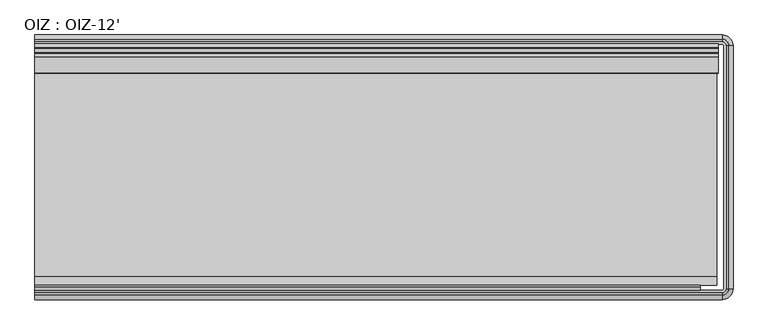
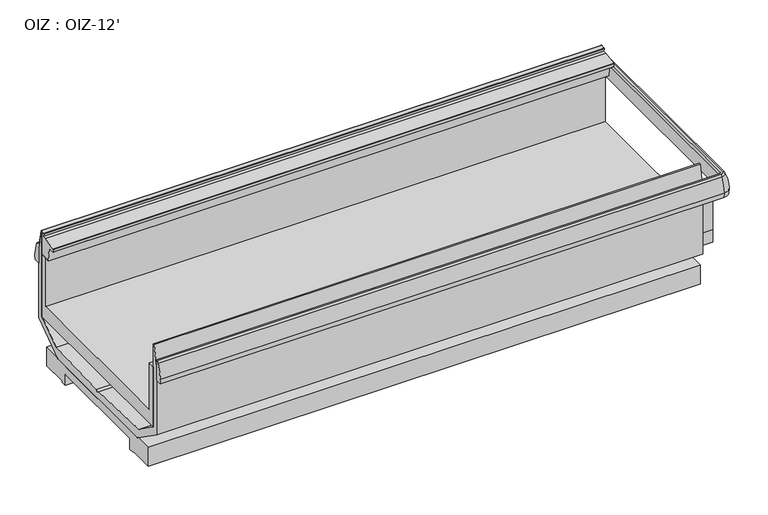
"""IFC4 building model written with IfcOpenShell, lengths in millimetres: proxy geometry, OIZ : OIZ-12'."""

from ifc_helpers import new_model, si_unit, point, frame, frame_2d, origin, place, context, project, spatial, polyline, circle_curve, ellipse_curve, trimmed, segment, composite_curve, outline, extrude, faceted_brep, source, transform, mapped, element, save
from ifc_brep_helpers import plane_surface, cylinder_surface, revolved_surface, advanced_brep


def oiz_oiz_12_89f80556(model_context):
    return source(origin(), model_context, "Body", "SolidModel", [
        advanced_brep(
        [(0.0, -1779.9487888, 742.5260526), (0.0, -1756.7718705, 837.8904027), (0.0, -1742.3604846, 847.1075065), (0.0, -1730.6231369, 847.1075065), (0.0, -1738.8699813, 808.3091539), (0.0, -1738.8699813, 710.8577229), (0.0, -1778.626851, 710.8577229), (3678.2702702, -1779.9487888, 742.5260526), (3678.2702702, -1756.7718705, 837.8904027), (3678.2702702, -1742.3604846, 847.1075065), (3699.9908573, -1720.6398975, 847.1075065), (3699.9908573, -421.9302891, 847.1075065), (3678.3393382, -400.27877, 847.1075065), (0.0, -400.27877, 847.1075065), (0.0, -412.0161177, 847.1075065), (3678.3393382, -412.0161177, 847.1075065), (3688.2535096, -421.9302891, 847.1075065), (3688.2535096, -1720.6398975, 847.1075065), (3678.2702702, -1730.6231369, 847.1075065), (3678.2702702, -1738.8699813, 808.3091539), (3678.2702702, -1738.8699813, 710.8577229), (3696.500354, -1720.6398975, 710.8577229), (3696.500354, -421.9302891, 710.8577229), (3678.3393382, -403.7692733, 710.8577229), (0.0, -403.7692733, 710.8577229), (0.0, -364.0124036, 710.8577229), (3678.3393382, -364.0124036, 710.8577229), (3736.2572237, -421.9302891, 710.8577229), (3736.2572237, -1720.6398975, 710.8577229), (3678.2702702, -1778.626851, 710.8577229), (3714.4022432, -1720.6398975, 837.8904027), (3737.5791615, -1720.6398975, 742.5260526), (3737.5791615, -421.9302891, 742.5260526), (3714.4022432, -421.9302891, 837.8904027), (3696.500354, -1720.6398975, 808.3091539), (3696.500354, -421.9302891, 808.3091539), (0.0, -362.6904658, 742.5260526), (0.0, -403.7692733, 808.3091539), (0.0, -385.8673841, 837.8904027), (3678.3393382, -385.8673841, 837.8904027), (3678.3393382, -362.6904658, 742.5260526), (3678.3393382, -403.7692733, 808.3091539)],
        [
            (0, 1, circle_curve(frame((0.0, -1526.1354111, 731.338984), z_axis=(-1.0, 0.0, 0.0), x_axis=(0.0, 1.0, 0.0)), 254.0597985)),
            (1, 2, circle_curve(frame((0.0, -1742.3604846, 831.2325065), z_axis=(-1.0, 0.0, 0.0), x_axis=(0.0, 1.0, 0.0)), 15.875)),
            (2, 3),
            (3, 4),
            (4, 5),
            (5, 6),
            (6, 0),
            (0, 7),
            (7, 8, circle_curve(frame((3678.2702702, -1526.1354111, 731.338984), z_axis=(-1.0, 0.0, 0.0), x_axis=(0.0, 1.0, 0.0)), 254.0597985)),
            (8, 1),
            (8, 9, circle_curve(frame((3678.2702702, -1742.3604846, 831.2325065), z_axis=(-1.0, 0.0, 0.0), x_axis=(0.0, 1.0, 0.0)), 15.875)),
            (9, 2),
            (9, 10, circle_curve(frame((3678.2702702, -1720.6398975, 847.1075065), z_axis=(0.0, 0.0, 1.0), x_axis=(0.0, -1.0, 0.0)), 21.7205871)),
            (10, 11),
            (11, 12, circle_curve(frame((3678.3393382, -421.9302891, 847.1075065), z_axis=(0.0, 0.0, 1.0), x_axis=(1.0, 0.0, 0.0)), 21.6515191)),
            (12, 13),
            (13, 14),
            (14, 15),
            (15, 16, circle_curve(frame((3678.3393382, -421.9302891, 847.1075065), z_axis=(0.0, 0.0, -1.0), x_axis=(1.0, 0.0, 0.0)), 9.9141714)),
            (16, 17),
            (17, 18, circle_curve(frame((3678.2702702, -1720.6398975, 847.1075065), z_axis=(0.0, 0.0, -1.0), x_axis=(0.0, -1.0, 0.0)), 9.9832394)),
            (18, 3),
            (18, 19),
            (19, 4),
            (19, 20),
            (20, 5),
            (20, 21, circle_curve(frame((3678.2702702, -1720.6398975, 710.8577229), z_axis=(0.0, 0.0, 1.0), x_axis=(0.0, -1.0, 0.0)), 18.2300838)),
            (21, 22),
            (22, 23, circle_curve(frame((3678.3393382, -421.9302891, 710.8577229), z_axis=(0.0, 0.0, 1.0), x_axis=(1.0, 0.0, 0.0)), 18.1610158)),
            (23, 24),
            (24, 25),
            (25, 26),
            (26, 27, circle_curve(frame((3678.3393382, -421.9302891, 710.8577229), z_axis=(0.0, 0.0, -1.0), x_axis=(1.0, 0.0, 0.0)), 57.9178855)),
            (27, 28),
            (28, 29, circle_curve(frame((3678.2702702, -1720.6398975, 710.8577229), z_axis=(0.0, 0.0, -1.0), x_axis=(0.0, -1.0, 0.0)), 57.9869535)),
            (29, 6),
            (29, 7),
            (30, 31, circle_curve(frame((3483.7657838, -1720.6398975, 731.338984), z_axis=(0.0, 1.0, 0.0), x_axis=(-1.0, 0.0, 0.0)), 254.0597985)),
            (31, 32),
            (32, 33, circle_curve(frame((3483.7657838, -421.9302891, 731.338984), z_axis=(0.0, -1.0, 0.0), x_axis=(-1.0, 0.0, 0.0)), 254.0597985)),
            (33, 30),
            (10, 30, circle_curve(frame((3699.9908573, -1720.6398975, 831.2325065), z_axis=(0.0, 1.0, 0.0), x_axis=(-1.0, 0.0, 0.0)), 15.875)),
            (33, 11, circle_curve(frame((3699.9908573, -421.9302891, 831.2325065), z_axis=(0.0, -1.0, 0.0), x_axis=(-1.0, 0.0, 0.0)), 15.875)),
            (34, 17),
            (16, 35),
            (35, 34),
            (21, 34),
            (35, 22),
            (31, 28),
            (27, 32),
            (36, 25),
            (24, 37),
            (37, 14),
            (13, 38, circle_curve(frame((0.0, -400.27877, 831.2325065), z_axis=(-1.0, 0.0, 0.0), x_axis=(0.0, -1.0, 0.0)), 15.875)),
            (38, 36, circle_curve(frame((0.0, -616.5038435, 731.338984), z_axis=(-1.0, 0.0, 0.0), x_axis=(0.0, -1.0, 0.0)), 254.0597985)),
            (39, 40, circle_curve(frame((3678.3393382, -616.5038435, 731.338984), z_axis=(-1.0, 0.0, 0.0), x_axis=(0.0, -1.0, 0.0)), 254.0597985)),
            (40, 36),
            (38, 39),
            (12, 39, circle_curve(frame((3678.3393382, -400.27877, 831.2325065), z_axis=(-1.0, 0.0, 0.0), x_axis=(0.0, -1.0, 0.0)), 15.875)),
            (41, 15),
            (37, 41),
            (23, 41),
            (40, 26),
            (30, 8, circle_curve(frame((3678.2702702, -1720.6398975, 837.8904027), z_axis=(0.0, 0.0, -1.0), x_axis=(0.0, -1.0, 0.0)), 36.131973)),
            (7, 31, circle_curve(frame((3678.2702702, -1720.6398975, 742.5260526), z_axis=(0.0, 0.0, 1.0), x_axis=(0.0, -1.0, 0.0)), 59.3088914)),
            (34, 19, circle_curve(frame((3678.2702702, -1720.6398975, 808.3091539), z_axis=(0.0, 0.0, -1.0), x_axis=(0.0, -1.0, 0.0)), 18.2300838)),
            (39, 33, circle_curve(frame((3678.3393382, -421.9302891, 837.8904027), z_axis=(0.0, 0.0, -1.0), x_axis=(1.0, 0.0, 0.0)), 36.0629049)),
            (32, 40, circle_curve(frame((3678.3393382, -421.9302891, 742.5260526), z_axis=(0.0, 0.0, 1.0), x_axis=(1.0, 0.0, 0.0)), 59.2398233)),
            (41, 35, circle_curve(frame((3678.3393382, -421.9302891, 808.3091539), z_axis=(0.0, 0.0, -1.0), x_axis=(1.0, 0.0, 0.0)), 18.1610158)),
        ],
        [
            plane_surface(frame((0.0, -1793.6321273, 50.2442522), z_axis=(-1.0, 0.0, 0.0), x_axis=(0.0, 0.0, 1.0))),
            cylinder_surface(frame((0.0, -1526.1354111, 731.338984), z_axis=(-1.0, 0.0, 0.0), x_axis=(0.0, 1.0, 0.0)), 254.0597985),
            cylinder_surface(frame((0.0, -1742.3604846, 831.2325065), z_axis=(-1.0, 0.0, 0.0), x_axis=(0.0, 1.0, 0.0)), 15.875),
            plane_surface(frame((0.0, -1742.3604846, 847.1075065), z_axis=(0.0, 0.0, 1.0), x_axis=(1.0, 0.0, 0.0))),
            plane_surface(frame((0.0, -1730.6231369, 847.1075065), z_axis=(0.0, 0.9781476007337238, -0.20791169081814453), x_axis=(1.0, 0.0, 0.0))),
            plane_surface(frame((0.0, -1738.8699813, 808.3091539), z_axis=(0.0, 1.0, 0.0), x_axis=(1.0, 0.0, 0.0))),
            plane_surface(frame((0.0, -1762.8031313, 710.8577229), z_axis=(0.0, 0.0, -1.0), x_axis=(1.0, 0.0, 0.0))),
            plane_surface(frame((0.0, -1778.626851, 710.8577229), z_axis=(0.0, -0.9991298890583391, -0.04170689140023684), x_axis=(1.0, 0.0, 0.0))),
            cylinder_surface(frame((3483.7657838, -1720.6398975, 731.338984), z_axis=(0.0, -1.0, 0.0), x_axis=(-1.0, 0.0, 0.0)), 254.0597985),
            cylinder_surface(frame((3699.9908573, -1720.6398975, 831.2325065), z_axis=(0.0, -1.0, 0.0), x_axis=(-1.0, 0.0, 0.0)), 15.875),
            plane_surface(frame((3688.2535096, -1720.6398975, 847.1075065), z_axis=(-0.9781476007337238, 0.0, -0.20791169081814453), x_axis=(0.0, 1.0, 0.0))),
            plane_surface(frame((3696.500354, -1720.6398975, 808.3091539), z_axis=(-1.0, 0.0, 0.0), x_axis=(0.0, 1.0, 0.0))),
            plane_surface(frame((3736.2572237, -1720.6398975, 710.8577229), z_axis=(0.9991298890583391, 0.0, -0.04170689140023684), x_axis=(0.0, 1.0, 0.0))),
            plane_surface(frame((0.0, -349.0071273, 50.2442522), z_axis=(-1.0, 0.0, 0.0), x_axis=(0.0, 0.0, 1.0))),
            cylinder_surface(frame((3678.3393382, -616.5038435, 731.338984), z_axis=(1.0, 0.0, 0.0), x_axis=(0.0, -1.0, 0.0)), 254.0597985),
            cylinder_surface(frame((3678.3393382, -400.27877, 831.2325065), z_axis=(1.0, 0.0, 0.0), x_axis=(0.0, -1.0, 0.0)), 15.875),
            plane_surface(frame((3678.3393382, -412.0161177, 847.1075065), z_axis=(0.0, -0.9781476007337238, -0.20791169081814453), x_axis=(-1.0, 0.0, 0.0))),
            plane_surface(frame((3678.3393382, -403.7692733, 808.3091539), z_axis=(0.0, -1.0, 0.0), x_axis=(-1.0, 0.0, 0.0))),
            plane_surface(frame((3678.3393382, -364.0124036, 710.8577229), z_axis=(0.0, 0.9991298890583391, -0.04170689140023684), x_axis=(-1.0, 0.0, 0.0))),
            revolved_surface(trimmed(ellipse_curve(frame((3678.2702702, -1526.1354111, 731.338984), z_axis=(-1.0, 0.0, 0.0), x_axis=(0.0, 1.0, 0.0)), 254.0597985, 254.0597985), [point((3678.2702702, -1779.9487888, 742.5260526))], [point((3678.2702702, -1756.7718705, 837.8904027))], True, "CARTESIAN"), (3678.2702702, -1720.6398975, 50.2442522), (0.0, 0.0, 1.0)),
            revolved_surface(trimmed(ellipse_curve(frame((3678.2702702, -1742.3604846, 831.2325065), z_axis=(-1.0, 0.0, 0.0), x_axis=(0.0, 1.0, 0.0)), 15.875, 15.875), [point((3678.2702702, -1756.7718705, 837.8904027))], [point((3678.2702702, -1742.3604846, 847.1075065))], True, "CARTESIAN"), (3678.2702702, -1720.6398975, 50.2442522), (0.0, 0.0, 1.0)),
            revolved_surface(polyline([(3678.2702702, -1730.6231369, 847.1075065), (3678.2702702, -1738.8699813, 808.3091539)]), (3678.2702702, -1720.6398975, 50.2442522), (0.0, 0.0, 1.0)),
            revolved_surface(polyline([(3678.2702702, -1738.8699813, 808.3091539), (3678.2702702, -1738.8699813, 710.8577229)]), (3678.2702702, -1720.6398975, 50.2442522), (0.0, 0.0, 1.0)),
            revolved_surface(polyline([(3678.2702702, -1778.626851, 710.8577229), (3678.2702702, -1779.9487888, 742.5260526)]), (3678.2702702, -1720.6398975, 50.2442522), (0.0, 0.0, 1.0)),
            revolved_surface(trimmed(ellipse_curve(frame((3483.7657838, -421.9302891, 731.338984), z_axis=(0.0, -1.0, 0.0), x_axis=(-1.0, 0.0, 0.0)), 254.0597985, 254.0597985), [point((3737.5791615, -421.9302891, 742.5260526))], [point((3714.4022432, -421.9302891, 837.8904027))], True, "CARTESIAN"), (3678.3393382, -421.9302891, 50.2442522), (0.0, 0.0, 1.0)),
            revolved_surface(trimmed(ellipse_curve(frame((3699.9908573, -421.9302891, 831.2325065), z_axis=(0.0, -1.0, 0.0), x_axis=(-1.0, 0.0, 0.0)), 15.875, 15.875), [point((3714.4022432, -421.9302891, 837.8904027))], [point((3699.9908573, -421.9302891, 847.1075065))], True, "CARTESIAN"), (3678.3393382, -421.9302891, 50.2442522), (0.0, 0.0, 1.0)),
            revolved_surface(polyline([(3688.2535096, -421.9302891, 847.1075065), (3696.500354, -421.9302891, 808.3091539)]), (3678.3393382, -421.9302891, 50.2442522), (0.0, 0.0, 1.0)),
            revolved_surface(polyline([(3696.500354, -421.9302891, 808.3091539), (3696.500354, -421.9302891, 710.8577229)]), (3678.3393382, -421.9302891, 50.2442522), (0.0, 0.0, 1.0)),
            revolved_surface(polyline([(3736.2572237, -421.9302891, 710.8577229), (3737.5791615, -421.9302891, 742.5260526)]), (3678.3393382, -421.9302891, 50.2442522), (0.0, 0.0, 1.0)),
        ],
        [
            (0, [[1, 2, 3, 4, 5, 6, 7]]),
            (1, [[-1, 8, 9, 10]]),
            (2, [[-2, -10, 11, 12]]),
            (3, [[-3, -12, 13, 14, 15, 16, 17, 18, 19, 20, 21, 22]]),
            (4, [[-4, -22, 23, 24]]),
            (5, [[-5, -24, 25, 26]]),
            (6, [[-26, 27, 28, 29, 30, 31, 32, 33, 34, 35, 36, -6]]),
            (7, [[-7, -36, 37, -8]]),
            (8, [[38, 39, 40, 41]]),
            (9, [[42, -41, 43, -14]]),
            (10, [[44, -20, 45, 46]]),
            (11, [[47, -46, 48, -28]]),
            (12, [[49, -34, 50, -39]]),
            (13, [[51, -31, 52, 53, -17, 54, 55]]),
            (14, [[56, 57, -55, 58]]),
            (15, [[59, -58, -54, -16]]),
            (16, [[60, -18, -53, 61]]),
            (17, [[62, -61, -52, -30]]),
            (18, [[63, -32, -51, -57]]),
            (19, [[64, -9, 65, -38]]),
            (20, [[-13, -11, -64, -42]]),
            (21, [[66, -23, -21, -44]]),
            (22, [[-27, -25, -66, -47]]),
            (23, [[-65, -37, -35, -49]]),
            (24, [[67, -40, 68, -56]]),
            (25, [[-15, -43, -67, -59]]),
            (26, [[69, -45, -19, -60]]),
            (27, [[-29, -48, -69, -62]]),
            (28, [[-68, -50, -33, -63]]),
        ],
    ),
        extrude(outline(composite_curve([segment(trimmed(circle_curve(frame_2d((152.4, -1552.3321273)), 9.525), [point((142.875, -1552.3321273))], [point((161.925, -1552.3321273))], False, "CARTESIAN"), True, "CONTINUOUS"), segment(trimmed(circle_curve(frame_2d((152.4, -1552.3321273)), 9.525), [point((161.925, -1552.3321273))], [point((142.875, -1552.3321273))], False, "CARTESIAN"), True, "CONTINUOUS")], self_intersect=False)), frame((0.0, 0.0, 59.3851334), z_axis=(0.0, 0.0, 1.0), x_axis=(1.0, 0.0, 0.0)), (0.0, 0.0, 1.0), 6.35),
        extrude(outline(composite_curve([segment(trimmed(circle_curve(frame_2d((228.6, -1552.3321273)), 9.525), [point((219.075, -1552.3321273))], [point((238.125, -1552.3321273))], False, "CARTESIAN"), True, "CONTINUOUS"), segment(trimmed(circle_curve(frame_2d((228.6, -1552.3321273)), 9.525), [point((238.125, -1552.3321273))], [point((219.075, -1552.3321273))], False, "CARTESIAN"), True, "CONTINUOUS")], self_intersect=False)), frame((0.0, 0.0, 59.3851334), z_axis=(0.0, 0.0, 1.0), x_axis=(1.0, 0.0, 0.0)), (0.0, 0.0, 1.0), 6.35),
        extrude(outline(composite_curve([segment(trimmed(circle_curve(frame_2d((1828.8, -1552.7093173)), 38.1), [point((1790.7, -1552.7093173))], [point((1866.9, -1552.7093173))], False, "CARTESIAN"), True, "CONTINUOUS"), segment(trimmed(circle_curve(frame_2d((1828.8, -1552.7093173)), 38.1), [point((1866.9, -1552.7093173))], [point((1790.7, -1552.7093173))], False, "CARTESIAN"), True, "CONTINUOUS")], self_intersect=False)), frame((0.0, 0.0, 59.3851334), z_axis=(0.0, 0.0, 1.0), x_axis=(1.0, 0.0, 0.0)), (0.0, 0.0, 1.0), 117.8591189),
        extrude(outline(composite_curve([segment(trimmed(circle_curve(frame_2d((3393.28125, -1399.9321273)), 11.1125), [point((3382.16875, -1399.9321273))], [point((3404.39375, -1399.9321273))], False, "CARTESIAN"), True, "CONTINUOUS"), segment(trimmed(circle_curve(frame_2d((3393.28125, -1399.9321273)), 11.1125), [point((3404.39375, -1399.9321273))], [point((3382.16875, -1399.9321273))], False, "CARTESIAN"), True, "CONTINUOUS")], self_intersect=False)), frame((0.0, 0.0, 125.8872904), z_axis=(0.0, 0.0, 1.0), x_axis=(1.0, 0.0, 0.0)), (0.0, 0.0, 1.0), 51.3569618),
        extrude(outline(composite_curve([segment(trimmed(circle_curve(frame_2d((3352.00625, -1399.9321273)), 9.525), [point((3342.48125, -1399.9321273))], [point((3361.53125, -1399.9321273))], False, "CARTESIAN"), True, "CONTINUOUS"), segment(trimmed(circle_curve(frame_2d((3352.00625, -1399.9321273)), 9.525), [point((3361.53125, -1399.9321273))], [point((3342.48125, -1399.9321273))], False, "CARTESIAN"), True, "CONTINUOUS")], self_intersect=False)), frame((0.0, 0.0, 125.8872904), z_axis=(0.0, 0.0, 1.0), x_axis=(1.0, 0.0, 0.0)), (0.0, 0.0, 1.0), 51.3569618),
        advanced_brep(
        [(3602.4785775, -497.7910498, 59.3851334), (3602.4785775, -497.7910498, 190.7162695), (3602.4785775, -611.2237672, 190.7162695), (3602.4785775, -624.9324146, 181.1173712), (3602.4785775, -1517.6104004, 181.1173712), (3602.4785775, -1531.4154874, 190.7162695), (3602.4785775, -1644.8482048, 190.7162695), (3602.4785775, -1644.8482048, 59.3851334), (3602.4785775, -1471.3693098, 59.3851334), (3602.4785775, -1471.3693098, 50.2442522), (3602.4785775, -1436.4443098, 50.2442522), (3602.4785775, -1436.4443098, 125.8872904), (3602.4785775, -706.1949448, 125.8872904), (3602.4785775, -706.1949448, 50.2442522), (3602.4785775, -671.2699448, 50.2442522), (3602.4785775, -671.2699448, 59.3851334), (0.0, -497.7910498, 59.3851334), (0.0, -671.2699448, 59.3851334), (0.0, -671.2699448, 50.2442522), (0.0, -706.1949448, 50.2442522), (0.0, -706.1949448, 125.8872904), (0.0, -1436.4443098, 125.8872904), (0.0, -1436.4443098, 50.2442522), (0.0, -1471.3693098, 50.2442522), (0.0, -1471.3693098, 59.3851334), (0.0, -1644.8482048, 59.3851334), (0.0, -1644.8482048, 190.7162695), (0.0, -1531.4154874, 190.7162695), (0.0, -1517.6104004, 181.1173712), (0.0, -624.9324146, 181.1173712), (0.0, -611.2237672, 190.7162695), (0.0, -497.7910498, 190.7162695), (1778.0, -1552.7093173, 59.3851334), (1879.6, -1552.7093173, 59.3851334), (287.3791612, -1530.5482048, 59.3851334), (105.2648592, -1530.5482048, 59.3851334), (105.2648592, -1574.5393697, 59.3851334), (287.3791612, -1574.5393697, 59.3851334), (3337.3237765, -1436.4443098, 50.2442522), (3407.9637235, -1436.4443098, 50.2442522), (3407.9637235, -1436.4443098, 125.8872904), (3337.3237765, -1436.4443098, 125.8872904), (3423.44375, -1399.9321273, 125.8872904), (3321.84375, -1399.9321273, 125.8872904), (3321.84375, -1399.9321273, 177.2442522), (3423.44375, -1399.9321273, 177.2442522), (1778.0, -1552.7093173, 177.2442522), (1879.6, -1552.7093173, 177.2442522), (287.3791612, -1530.5482048, 65.7351334), (287.3791612, -1574.5393697, 65.7351334), (105.2648592, -1574.5393697, 65.7351334), (105.2648592, -1530.5482048, 65.7351334)],
        [
            (0, 1),
            (1, 2),
            (2, 3),
            (3, 4),
            (4, 5),
            (5, 6),
            (6, 7),
            (7, 8),
            (8, 9),
            (9, 10),
            (10, 11),
            (11, 12),
            (12, 13),
            (13, 14),
            (14, 15),
            (15, 0),
            (16, 17),
            (17, 18),
            (18, 19),
            (19, 20),
            (20, 21),
            (21, 22),
            (22, 23),
            (23, 24),
            (24, 25),
            (25, 26),
            (26, 27),
            (27, 28),
            (28, 29),
            (29, 30),
            (30, 31),
            (31, 16),
            (0, 16),
            (31, 1),
            (3, 29),
            (28, 4),
            (6, 26),
            (25, 7),
            (24, 8),
            (32, 33, circle_curve(frame((1828.8, -1552.7093173, 59.3851334), z_axis=(0.0, 0.0, 1.0), x_axis=(1.0, 0.0, 0.0)), 50.8)),
            (33, 32, circle_curve(frame((1828.8, -1552.7093173, 59.3851334), z_axis=(0.0, 0.0, 1.0), x_axis=(1.0, 0.0, 0.0)), 50.8)),
            (34, 35),
            (35, 36),
            (36, 37),
            (37, 34),
            (23, 9),
            (22, 38),
            (38, 39, circle_curve(frame((3372.64375, -1399.9321273, 50.2442522), z_axis=(0.0, 0.0, 1.0), x_axis=(1.0, 0.0, 0.0)), 50.8)),
            (39, 10),
            (39, 40),
            (40, 11),
            (21, 41),
            (41, 38),
            (40, 42, circle_curve(frame((3372.64375, -1399.9321273, 125.8872904), z_axis=(0.0, 0.0, 1.0), x_axis=(1.0, 0.0, 0.0)), 50.8)),
            (42, 43, circle_curve(frame((3372.64375, -1399.9321273, 125.8872904), z_axis=(0.0, 0.0, 1.0), x_axis=(1.0, 0.0, 0.0)), 50.8)),
            (43, 41, circle_curve(frame((3372.64375, -1399.9321273, 125.8872904), z_axis=(0.0, 0.0, 1.0), x_axis=(1.0, 0.0, 0.0)), 50.8)),
            (20, 12),
            (19, 13),
            (18, 14),
            (17, 15),
            (44, 45, circle_curve(frame((3372.64375, -1399.9321273, 177.2442522), z_axis=(0.0, 0.0, -1.0), x_axis=(1.0, 0.0, 0.0)), 50.8)),
            (45, 44, circle_curve(frame((3372.64375, -1399.9321273, 177.2442522), z_axis=(0.0, 0.0, -1.0), x_axis=(1.0, 0.0, 0.0)), 50.8)),
            (45, 42),
            (43, 44),
            (46, 47, circle_curve(frame((1828.8, -1552.7093173, 177.2442522), z_axis=(0.0, 0.0, -1.0), x_axis=(1.0, 0.0, 0.0)), 50.8)),
            (47, 46, circle_curve(frame((1828.8, -1552.7093173, 177.2442522), z_axis=(0.0, 0.0, -1.0), x_axis=(1.0, 0.0, 0.0)), 50.8)),
            (47, 33),
            (32, 46),
            (48, 49),
            (49, 50),
            (50, 51),
            (51, 48),
            (51, 35),
            (34, 48),
            (50, 36),
            (49, 37),
            (30, 2),
            (27, 5),
        ],
        [
            plane_surface(frame((3602.4785775, -497.7910498, 66.5320031), z_axis=(1.0, 0.0, 0.0), x_axis=(0.0, 0.0, 1.0))),
            plane_surface(frame((0.0, -497.7910498, 66.5320031), z_axis=(-1.0, 0.0, 0.0), x_axis=(0.0, 0.0, -1.0))),
            plane_surface(frame((3602.4785775, -497.7910498, 59.3851334), z_axis=(0.0, 1.0, 0.0), x_axis=(-1.0, 0.0, 0.0))),
            plane_surface(frame((3602.4785775, -624.9324146, 181.1173712), z_axis=(0.0, 0.0, 1.0), x_axis=(-1.0, 0.0, 0.0))),
            plane_surface(frame((3602.4785775, -1644.8482048, 190.7162695), z_axis=(0.0, -1.0, 0.0), x_axis=(-1.0, 0.0, 0.0))),
            plane_surface(frame((3602.4785775, -1644.8482048, 59.3851334), z_axis=(0.0, 0.0, -1.0), x_axis=(-1.0, 0.0, 0.0))),
            plane_surface(frame((3602.4785775, -1471.3693098, 59.3851334), z_axis=(0.0, -1.0, 0.0), x_axis=(-1.0, 0.0, 0.0))),
            plane_surface(frame((3602.4785775, -1471.3693098, 50.2442522), z_axis=(0.0, 0.0, -1.0), x_axis=(-1.0, 0.0, 0.0))),
            plane_surface(frame((3602.4785775, -1436.4443098, 50.2442522), z_axis=(0.0, 1.0, 0.0), x_axis=(-1.0, 0.0, 0.0))),
            plane_surface(frame((3602.4785775, -1436.4443098, 125.8872904), z_axis=(0.0, 0.0, -1.0), x_axis=(-1.0, 0.0, 0.0))),
            plane_surface(frame((3602.4785775, -706.1949448, 125.8872904), z_axis=(0.0, -1.0, 0.0), x_axis=(-1.0, 0.0, 0.0))),
            plane_surface(frame((3602.4785775, -706.1949448, 50.2442522), z_axis=(0.0, 0.0, -1.0), x_axis=(-1.0, 0.0, 0.0))),
            plane_surface(frame((3602.4785775, -671.2699448, 50.2442522), z_axis=(0.0, 1.0, 0.0), x_axis=(-1.0, 0.0, 0.0))),
            plane_surface(frame((3602.4785775, -671.2699448, 59.3851334), z_axis=(0.0, 0.0, -1.0), x_axis=(-1.0, 0.0, 0.0))),
            plane_surface(frame((3423.44375, -1399.9321273, 177.2442522), z_axis=(0.0, 0.0, -1.0), x_axis=(0.0, 1.0, 0.0))),
            revolved_surface(polyline([(3423.4437500000004, -1399.9321273, 177.2442522), (3423.4437500000004, -1399.9321273, 50.2442522)]), (3372.64375, -1399.9321273, 50.2442522), (0.0, 0.0, 1.0)),
            revolved_surface(polyline([(3423.4437500000004, -1399.9321273, 177.2442522), (3423.4437500000004, -1399.9321273, 125.88729040000001)]), (3372.64375, -1399.9321273, 50.2442522), (0.0, 0.0, 1.0)),
            plane_surface(frame((1879.6, -1552.7093173, 177.2442522), z_axis=(0.0, 0.0, -1.0), x_axis=(0.0, 1.0, 0.0))),
            revolved_surface(polyline([(1879.6, -1552.7093173, 177.2442522), (1879.6, -1552.7093173, 59.3851334)]), (1828.8, -1552.7093173, 50.2442522), (0.0, 0.0, 1.0)),
            plane_surface(frame((88.9, -1530.5482048, 65.7351334), z_axis=(0.0, 0.0, -1.0), x_axis=(-1.0, 0.0, 0.0))),
            plane_surface(frame((287.3791612, -1530.5482048, 65.7351334), z_axis=(0.0, -1.0, 0.0), x_axis=(0.0, 0.0, -1.0))),
            plane_surface(frame((105.2648592, -1530.5482048, 65.7351334), z_axis=(1.0, 0.0, 0.0), x_axis=(0.0, 0.0, -1.0))),
            plane_surface(frame((105.2648592, -1574.5393697, 65.7351334), z_axis=(0.0, 1.0, 0.0), x_axis=(0.0, 0.0, -1.0))),
            plane_surface(frame((287.3791612, -1574.5393697, 65.7351334), z_axis=(-1.0, 0.0, 0.0), x_axis=(0.0, 0.0, -1.0))),
            plane_surface(frame((3602.4785775, -497.7910498, 190.7162695), z_axis=(0.0, 0.0, 1.0), x_axis=(-1.0, 0.0, 0.0))),
            plane_surface(frame((3602.4785775, -611.2237672, 190.7162695), z_axis=(0.0, -0.5735764363510149, 0.8191520442890138), x_axis=(-1.0, 0.0, 0.0))),
            plane_surface(frame((3602.4785775, -1517.6104004, 181.1173712), z_axis=(0.0, 0.5708784896060859, 0.8210345608469075), x_axis=(-1.0, 0.0, 0.0))),
            plane_surface(frame((3602.4785775, -1531.4154874, 190.7162695), z_axis=(0.0, 0.0, 1.0), x_axis=(-1.0, 0.0, 0.0))),
        ],
        [
            (0, [[1, 2, 3, 4, 5, 6, 7, 8, 9, 10, 11, 12, 13, 14, 15, 16]]),
            (1, [[17, 18, 19, 20, 21, 22, 23, 24, 25, 26, 27, 28, 29, 30, 31, 32]]),
            (2, [[-1, 33, -32, 34]]),
            (3, [[-4, 35, -29, 36]]),
            (4, [[-7, 37, -26, 38]]),
            (5, [[-8, -38, -25, 39], [40, 41], [42, 43, 44, 45]]),
            (6, [[-9, -39, -24, 46]]),
            (7, [[-10, -46, -23, 47, 48, 49]]),
            (8, [[-11, -49, 50, 51]]),
            (8, [[-22, 52, 53, -47]]),
            (9, [[-12, -51, 54, 55, 56, -52, -21, 57]]),
            (10, [[-13, -57, -20, 58]]),
            (11, [[-14, -58, -19, 59]]),
            (12, [[-15, -59, -18, 60]]),
            (13, [[-16, -60, -17, -33]]),
            (14, [[61, 62]]),
            (15, [[-62, 63, -54, -50, -48, -53, -56, 64]]),
            (16, [[-61, -64, -55, -63]]),
            (17, [[65, 66]]),
            (18, [[-66, 67, -40, 68]]),
            (18, [[-65, -68, -41, -67]]),
            (19, [[69, 70, 71, 72]]),
            (20, [[-72, 73, -42, 74]]),
            (21, [[-71, 75, -43, -73]]),
            (22, [[-70, 76, -44, -75]]),
            (23, [[-69, -74, -45, -76]]),
            (24, [[-2, -34, -31, 77]]),
            (25, [[-3, -77, -30, -35]]),
            (26, [[-5, -36, -28, 78]]),
            (27, [[-6, -78, -27, -37]]),
        ],
    ),
        faceted_brep([(3561.9781435, -432.1205344, 941.6913504), (3561.9781435, -440.8913733, 941.6913504), (3561.9781435, -440.8913733, 796.3629923), (3561.9781435, -440.8913733, 451.8224366), (3561.9781435, -440.8916273, 365.9680035), (3561.9781435, -603.8697245, 251.8495515), (3561.9781435, -1057.0321273, 235.1755745), (3561.9781435, -1071.3196273, 220.8880745), (3561.9781435, -1085.6893753, 235.2578226), (3561.9781435, -1538.7697841, 251.8495397), (3561.9781435, -1701.7478813, 365.9679917), (3561.9781435, -1701.7478813, 451.8224366), (3561.9781435, -1701.7478813, 782.3984294), (3561.9781435, -1701.7478813, 941.6913504), (3561.9781435, -1710.5187202, 941.6913504), (3561.9781435, -1730.6231369, 847.1075065), (3561.9781435, -1738.8699813, 808.3091539), (3561.9781435, -1738.8699813, 334.9627042), (3561.9781435, -1669.8693202, 286.9854386), (3561.9781435, -1517.6104004, 181.1173712), (3561.9781435, -625.0288542, 181.1173712), (3561.9781435, -403.7693256, 336.0449611), (3561.9781435, -403.7693256, 710.8577229), (3561.9781435, -403.7693256, 808.3091539), (3561.9781435, -412.0161177, 847.1075065), (0.0, -432.1205344, 941.6913504), (0.0, -412.0161177, 847.1075065), (0.0, -403.7693256, 808.3091539), (0.0, -403.7693256, 710.8577229), (0.0, -403.7693256, 336.0449611), (0.0, -625.0288542, 181.1173712), (0.0, -1517.6104004, 181.1173712), (0.0, -1669.8693202, 286.9854386), (0.0, -1738.8699813, 334.9627042), (0.0, -1738.8699813, 808.3091539), (0.0, -1730.6231369, 847.1075065), (0.0, -1710.5187202, 941.6913504), (0.0, -1701.7478813, 941.6913504), (0.0, -1701.7478813, 782.3984294), (0.0, -1701.7478813, 451.8224366), (0.0, -1701.7478813, 365.9679917), (0.0, -1538.7697841, 251.8495397), (0.0, -1085.6893753, 235.2578226), (0.0, -1071.3196273, 220.8880745), (0.0, -1057.0321273, 235.1755745), (0.0, -603.8697245, 251.8495515), (0.0, -440.8916273, 365.9680035), (0.0, -440.8916273, 451.8224366), (0.0, -440.8913733, 796.3629923), (0.0, -440.8913733, 941.6913504)], [[[0, 1, 2, 3, 4, 5, 6, 7, 8, 9, 10, 11, 12, 13, 14, 15, 16, 17, 18, 19, 20, 21, 22, 23, 24]], [[25, 26, 27, 28, 29, 30, 31, 32, 33, 34, 35, 36, 37, 38, 39, 40, 41, 42, 43, 44, 45, 46, 47, 48, 49]], [[1, 0, 25, 49]], [[2, 1, 49, 48]], [[3, 2, 48, 47]], [[4, 3, 47, 46]], [[5, 4, 46, 45]], [[6, 5, 45, 44]], [[7, 6, 44, 43]], [[8, 7, 43, 42]], [[9, 8, 42, 41]], [[10, 9, 41, 40]], [[11, 10, 40, 39]], [[12, 11, 39, 38]], [[13, 12, 38, 37]], [[14, 13, 37, 36]], [[15, 14, 36, 35]], [[16, 15, 35, 34]], [[17, 16, 34, 33]], [[18, 17, 33, 32]], [[19, 18, 32, 31]], [[20, 19, 31, 30]], [[21, 20, 30, 29]], [[22, 21, 29, 28]], [[23, 22, 28, 27]], [[24, 23, 27, 26]], [[0, 24, 26, 25]]]),
        faceted_brep([(3651.2743483, -1701.7478813, 365.9680035), (3651.2743483, -440.8916273, 365.9680035), (3651.2743483, -440.8916273, 451.8224366), (3651.2743483, -440.8913733, 796.3629923), (3651.2743483, -485.6461733, 796.3629923), (3651.2743483, -485.6461733, 460.6823872), (3651.2743483, -1656.9930813, 460.6823872), (3651.2743483, -1656.9930813, 782.3984294), (3651.2743483, -1701.7478813, 782.3984294), (3651.2743483, -1701.7478813, 451.8224366), (0.0, -1701.7478813, 365.9680035), (0.0, -1701.7478813, 451.8224366), (0.0, -1701.7478813, 782.3984294), (0.0, -1656.9930813, 782.3984294), (0.0, -1656.9930813, 460.6823872), (0.0, -485.6461733, 460.6823872), (0.0, -485.6461733, 796.3629923), (0.0, -440.8913733, 796.3629923), (0.0, -440.8913733, 451.8224366), (0.0, -440.8916273, 365.9680035)], [[[0, 1, 2, 3, 4, 5, 6, 7, 8, 9]], [[10, 11, 12, 13, 14, 15, 16, 17, 18, 19]], [[2, 1, 19, 18]], [[3, 2, 18, 17]], [[4, 3, 17, 16]], [[5, 4, 16, 15]], [[6, 5, 15, 14]], [[7, 6, 14, 13]], [[8, 7, 13, 12]], [[9, 8, 12, 11]], [[0, 9, 11, 10]], [[1, 0, 10, 19]]]),
        extrude(outline(composite_curve([segment(polyline([(-431.9839327, 952.3854544), (-409.6064141, 847.1075065), (-412.0161177, 847.1075065), (-432.1205344, 941.6913504), (-440.8913733, 941.6913504), (-440.8913733, 796.3629923), (-485.6461733, 796.3629923), (-513.3863704, 792.9569244), (-524.3561926, 885.8112569), (-565.6042257, 885.8112569)]), True, "CONTINUOUS"), segment(trimmed(circle_curve(frame_2d((-565.6042257, 888.3131569)), 2.5019), [point((-565.6042257, 885.8112569))], [point((-568.0998849, 888.1365545))], False, "CARTESIAN"), True, "CONTINUOUS"), segment(polyline([(-568.0998849, 888.1365545), (-569.08138, 906.3399769)]), True, "CONTINUOUS"), segment(trimmed(circle_curve(frame_2d((-566.5347754, 906.4772852)), 2.5503035), [point((-569.08138, 906.3399769))], [point((-567.0224617, 908.9805251))], False, "CARTESIAN"), True, "CONTINUOUS"), segment(polyline([(-567.0224617, 908.9805251), (-479.050437, 926.3067225), (-454.6168696, 926.2316048), (-460.0060323, 946.3442338)]), True, "CONTINUOUS"), segment(trimmed(circle_curve(frame_2d((-458.472625, 946.755109)), 1.5875), [point((-460.0060323, 946.3442338))], [point((-458.8026848, 948.3079183))], False, "CARTESIAN"), True, "CONTINUOUS"), segment(polyline([(-458.8026848, 948.3079183), (-433.8668019, 953.6082039)]), True, "CONTINUOUS"), segment(trimmed(circle_curve(frame_2d((-433.5367421, 952.0553946)), 1.5875), [point((-433.8668019, 953.6082039))], [point((-431.9839327, 952.3854544))], False, "CARTESIAN"), True, "CONTINUOUS")], self_intersect=False)), frame((0.0, 0.0, 0.0), z_axis=(1.0, 0.0, 0.0), x_axis=(0.0, 1.0, 0.0)), (0.0, 0.0, 1.0), 3657.6),
    ])


if __name__ == "__main__":
    model = new_model("IFC4")
    model_context = context("Model", 3, world=origin())
    ifc_project = project(units=[si_unit("LENGTHUNIT", "METRE", prefix="MILLI")], contexts=[model_context])
    site = spatial("IfcSite", under=ifc_project)
    building = spatial("IfcBuilding", under=site)
    placement = place(None, origin())
    oiz_oiz_12_shape = oiz_oiz_12_89f80556(model_context)
    element("IfcBuildingElementProxy", 1, Name="OIZ : OIZ-12'", ObjectType="OIZ : OIZ-12'", at=placement, inside=building, context=model_context, shape_type="MappedRepresentation", body=[
        mapped(oiz_oiz_12_shape, transform((0.0, 0.0, 0.0), x_axis=(1.0, 0.0, 0.0), y_axis=(0.0, 1.0, 0.0), z_axis=(0.0, 0.0, 1.0))),
    ])
    save(model, "model.ifc")
